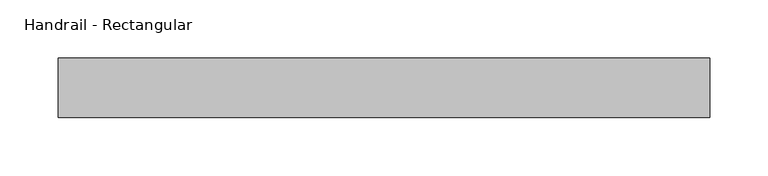
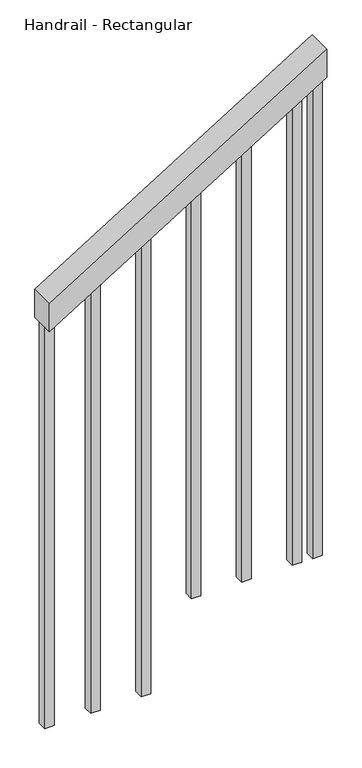
"""IFC4 building model written with IfcOpenShell, lengths in millimetres: railing geometry, Handrail - Rectangular."""

from ifc_helpers import new_model, si_unit, frame, origin, place, context, project, spatial, polyline, outline, extrude, source, transform, mapped, element, save


def handrail_rectangular_0f588b8e(model_context):
    return source(origin(), model_context, "Body", "SweptSolid", [
        extrude(outline(polyline([(1087.5578947, -7464.8197666), (1027.7930618, -7464.8197666), (1374.1088513, -6906.0197666), (1433.8736842, -6906.0197666), (1087.5578947, -7464.8197666)])), frame((0.0, -2778.7025722, 0.0), z_axis=(0.0, 1.0, 0.0), x_axis=(0.0, 0.0, 1.0)), (0.0, 0.0, 1.0), 50.8),
        extrude(outline(polyline([(1336.7224876, -6966.3447666), (346.3157895, -6966.3447666), (346.3157895, -6947.2947666), (1348.5287077, -6947.2947666), (1336.7224876, -6966.3447666)])), frame((0.0, -2762.8275722, 0.0), z_axis=(0.0, 1.0, 0.0), x_axis=(0.0, 0.0, 1.0)), (0.0, 0.0, 1.0), 19.05),
        extrude(outline(polyline([(1273.7559805, -7067.9447666), (346.3157895, -7067.9447666), (346.3157895, -7048.8947666), (1285.5622006, -7048.8947666), (1273.7559805, -7067.9447666)])), frame((0.0, -2762.8275722, 0.0), z_axis=(0.0, 1.0, 0.0), x_axis=(0.0, 0.0, 1.0)), (0.0, 0.0, 1.0), 19.05),
        extrude(outline(polyline([(1210.7894733, -7169.5447666), (346.3157895, -7169.5447666), (346.3157895, -7150.4947666), (1222.5956934, -7150.4947666), (1210.7894733, -7169.5447666)])), frame((0.0, -2762.8275722, 0.0), z_axis=(0.0, 1.0, 0.0), x_axis=(0.0, 0.0, 1.0)), (0.0, 0.0, 1.0), 19.05),
        extrude(outline(polyline([(1147.8229661, -7271.1447666), (173.1578947, -7271.1447666), (173.1578947, -7252.0947666), (1159.6291862, -7252.0947666), (1147.8229661, -7271.1447666)])), frame((0.0, -2762.8275722, 0.0), z_axis=(0.0, 1.0, 0.0), x_axis=(0.0, 0.0, 1.0)), (0.0, 0.0, 1.0), 19.05),
        extrude(outline(polyline([(1084.8564589, -7372.7447666), (173.1578947, -7372.7447666), (173.1578947, -7353.6947666), (1096.662679, -7353.6947666), (1084.8564589, -7372.7447666)])), frame((0.0, -2762.8275722, 0.0), z_axis=(0.0, 1.0, 0.0), x_axis=(0.0, 0.0, 1.0)), (0.0, 0.0, 1.0), 19.05),
        extrude(outline(polyline([(1362.3026312, -6925.0697666), (346.3157895, -6925.0697666), (346.3157895, -6906.0197666), (1374.1088513, -6906.0197666), (1362.3026312, -6925.0697666)])), frame((0.0, -2762.8275722, 0.0), z_axis=(0.0, 1.0, 0.0), x_axis=(0.0, 0.0, 1.0)), (0.0, 0.0, 1.0), 19.05),
        extrude(outline(polyline([(1027.7930618, -7464.8197666), (173.1578947, -7464.8197666), (173.1578947, -7445.7697666), (1039.5992819, -7445.7697666), (1027.7930618, -7464.8197666)])), frame((0.0, -2762.8275722, 0.0), z_axis=(0.0, 1.0, 0.0), x_axis=(0.0, 0.0, 1.0)), (0.0, 0.0, 1.0), 19.05),
    ])


if __name__ == "__main__":
    model = new_model("IFC4")
    model_context = context("Model", 3, world=origin())
    ifc_project = project(units=[si_unit("LENGTHUNIT", "METRE", prefix="MILLI")], contexts=[model_context])
    site = spatial("IfcSite", under=ifc_project)
    building = spatial("IfcBuilding", under=site)
    placement = place(None, origin())
    handrail_rectangular_shape = handrail_rectangular_0f588b8e(model_context)
    element("IfcRailing", 1, ObjectType="Handrail - Rectangular", at=placement, inside=building, context=model_context, shape_type="MappedRepresentation", body=[
        mapped(handrail_rectangular_shape, transform((0.0, 0.0, 0.0), x_axis=(1.0, 0.0, 0.0), y_axis=(0.0, 1.0, 0.0), z_axis=(0.0, 0.0, 1.0))),
    ])
    save(model, "model.ifc")
